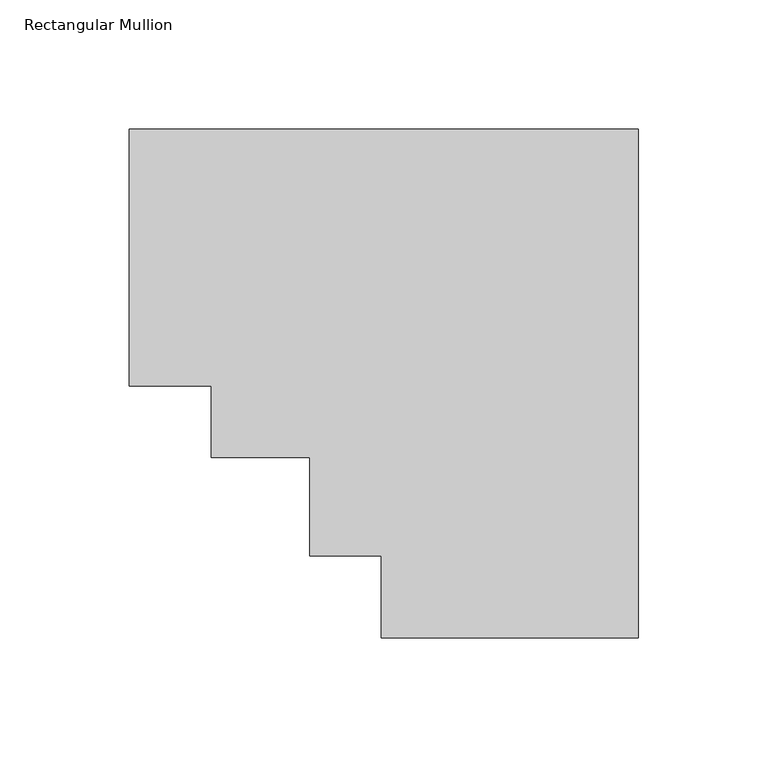
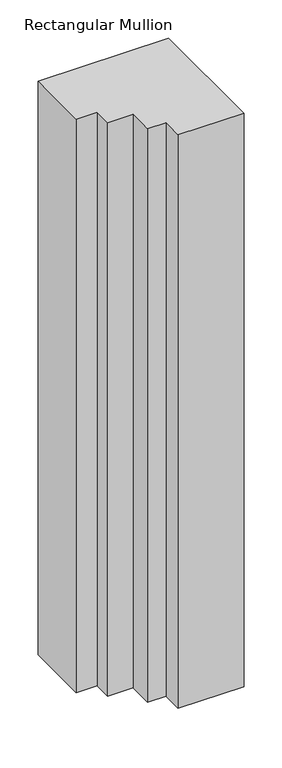
"""IFC4 building model written with IfcOpenShell, lengths in millimetres: member geometry, Rectangular Mullion."""

from ifc_helpers import new_model, si_unit, frame, origin, place, context, project, spatial, polyline, outline, extrude, source, transform, mapped, element, save


def rectangular_mullion_784db863(model_context):
    return source(origin(), model_context, "Body", "SweptSolid", [
        extrude(outline(polyline([(-196.85, 138.7038437), (0.0, 138.7038437), (0.0, -58.1461563), (-99.314, -58.1461563), (-99.314, -26.3961563), (-127.0, -26.3961563), (-127.0, 11.7038437), (-165.1, 11.7038437), (-165.1, 39.3898437), (-196.85, 39.3898437), (-196.85, 138.7038437)])), frame((0.0, 0.0, -914.4), z_axis=(0.0, 0.0, 1.0), x_axis=(1.0, 0.0, 0.0)), (0.0, 0.0, 1.0), 914.4),
    ])


if __name__ == "__main__":
    model = new_model("IFC4")
    model_context = context("Model", 3, world=origin())
    ifc_project = project(units=[si_unit("LENGTHUNIT", "METRE", prefix="MILLI")], contexts=[model_context])
    site = spatial("IfcSite", under=ifc_project)
    building = spatial("IfcBuilding", under=site)
    placement = place(None, origin())
    rectangular_mullion_shape = rectangular_mullion_784db863(model_context)
    element("IfcMember", 1, ObjectType="Rectangular Mullion", at=placement, inside=building, context=model_context, shape_type="MappedRepresentation", body=[
        mapped(rectangular_mullion_shape, transform((0.0, 0.0, 0.0), x_axis=(1.0, 0.0, 0.0), y_axis=(0.0, 1.0, 0.0), z_axis=(0.0, 0.0, 1.0))),
    ])
    save(model, "model.ifc")
